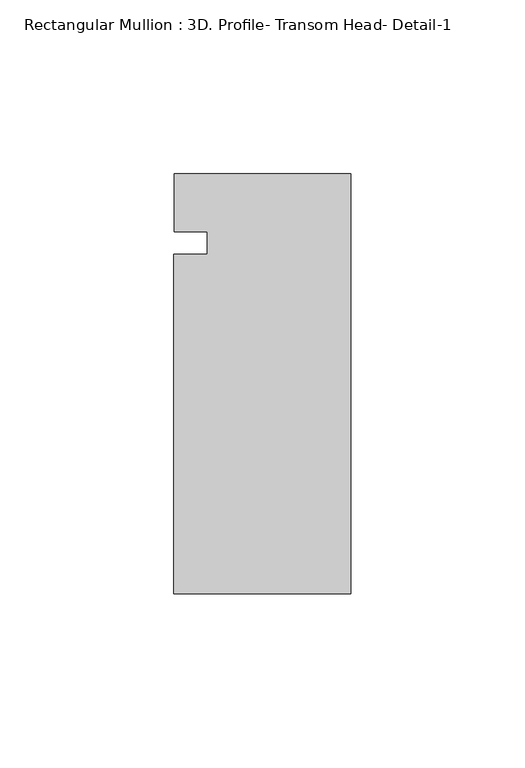
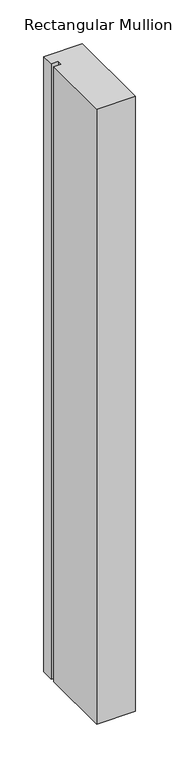
"""IFC4 building model written with IfcOpenShell, lengths in millimetres: member geometry, Rectangular Mullion : 3D. Profile- Transom Head- Detail-1."""

from ifc_helpers import new_model, si_unit, frame, origin, place, context, project, spatial, polyline, outline, extrude, source, transform, mapped, element, save


def rectangular_mullion_3d_profile_transom_head_detail_1_0224f776(model_context):
    return source(origin(), model_context, "Body", "SweptSolid", [
        extrude(outline(polyline([(-41.275, 54.4756698), (-41.275, 60.9159082), (-50.7746, 60.9159082), (-50.7746, 77.6071836), (0.0, 77.6071836), (0.0, -43.0428164), (-50.8, -43.0428164), (-50.8, 54.4756698), (-41.275, 54.4756698)])), frame((0.0, 0.0, -857.8232521), z_axis=(0.0, 0.0, 1.0), x_axis=(1.0, 0.0, 0.0)), (0.0, 0.0, 1.0), 857.8232521),
    ])


if __name__ == "__main__":
    model = new_model("IFC4")
    model_context = context("Model", 3, world=origin())
    ifc_project = project(units=[si_unit("LENGTHUNIT", "METRE", prefix="MILLI")], contexts=[model_context])
    site = spatial("IfcSite", under=ifc_project)
    building = spatial("IfcBuilding", under=site)
    placement = place(None, origin())
    rectangular_mullion_3d_profile_transom_head_detail_1_shape = rectangular_mullion_3d_profile_transom_head_detail_1_0224f776(model_context)
    element("IfcMember", 1, ObjectType="Rectangular Mullion : 3D. Profile- Transom Head- Detail-1", at=placement, inside=building, context=model_context, shape_type="MappedRepresentation", body=[
        mapped(rectangular_mullion_3d_profile_transom_head_detail_1_shape, transform((0.0, 0.0, 0.0), x_axis=(1.0, 0.0, 0.0), y_axis=(0.0, 1.0, 0.0), z_axis=(0.0, 0.0, 1.0))),
    ])
    save(model, "model.ifc")
